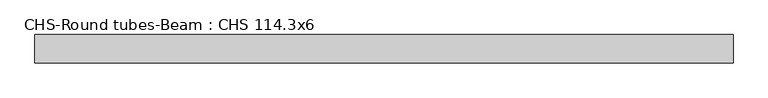
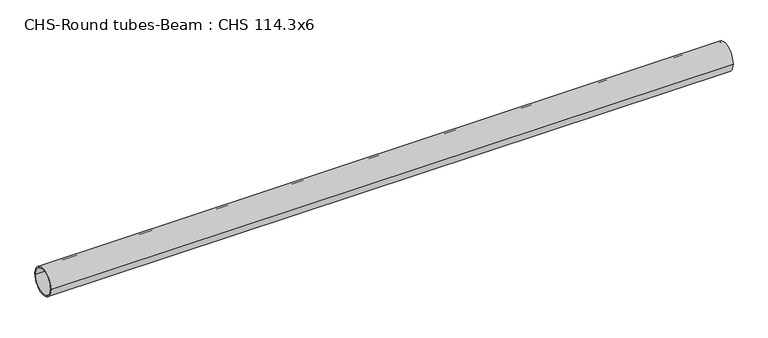
"""IFC4 building model written with IfcOpenShell, lengths in millimetres: beam geometry, CHS-Round tubes-Beam : CHS 114.3x6."""

from ifc_helpers import new_model, si_unit, point, frame, origin, origin_2d, place, context, project, spatial, circle_curve, trimmed, segment, composite_curve, outline, extrude, source, transform, mapped, element, save


def chs_round_tubes_beam_chs_114_3x6_f81f8456(model_context):
    return source(origin(), model_context, "Body", "SweptSolid", [
        extrude(outline(composite_curve([segment(trimmed(circle_curve(origin_2d(), 57.15), [point((57.15, 0.0))], [point((-57.15, 0.0))], False, "CARTESIAN"), True, "CONTINUOUS"), segment(trimmed(circle_curve(origin_2d(), 57.15), [point((-57.15, 0.0))], [point((57.15, 0.0))], False, "CARTESIAN"), True, "CONTINUOUS")], self_intersect=False), holes=[composite_curve([segment(trimmed(circle_curve(origin_2d(), 51.15), [point((51.15, 0.0))], [point((-51.15, 0.0))], True, "CARTESIAN"), True, "CONTINUOUS"), segment(trimmed(circle_curve(origin_2d(), 51.15), [point((-51.15, 0.0))], [point((51.15, 0.0))], True, "CARTESIAN"), True, "CONTINUOUS")], self_intersect=False)]), frame((-1402.9296815, 0.0, 0.0), z_axis=(1.0, 0.0, 0.0), x_axis=(0.0, 1.0, 0.0)), (0.0, 0.0, 1.0), 2797.1069231),
    ])


if __name__ == "__main__":
    model = new_model("IFC4")
    model_context = context("Model", 3, world=origin())
    ifc_project = project(units=[si_unit("LENGTHUNIT", "METRE", prefix="MILLI")], contexts=[model_context])
    site = spatial("IfcSite", under=ifc_project)
    building = spatial("IfcBuilding", under=site)
    placement = place(None, origin())
    chs_round_tubes_beam_chs_114_3x6_shape = chs_round_tubes_beam_chs_114_3x6_f81f8456(model_context)
    element("IfcBeam", 1, ObjectType="CHS-Round tubes-Beam : CHS 114.3x6", at=placement, inside=building, context=model_context, shape_type="MappedRepresentation", body=[
        mapped(chs_round_tubes_beam_chs_114_3x6_shape, transform((0.0, 0.0, 0.0), x_axis=(1.0, 0.0, 0.0), y_axis=(0.0, 1.0, 0.0), z_axis=(0.0, 0.0, 1.0))),
    ])
    save(model, "model.ifc")
